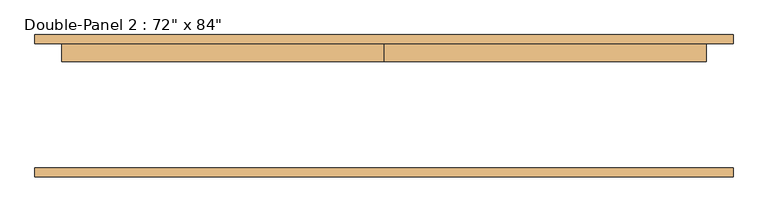
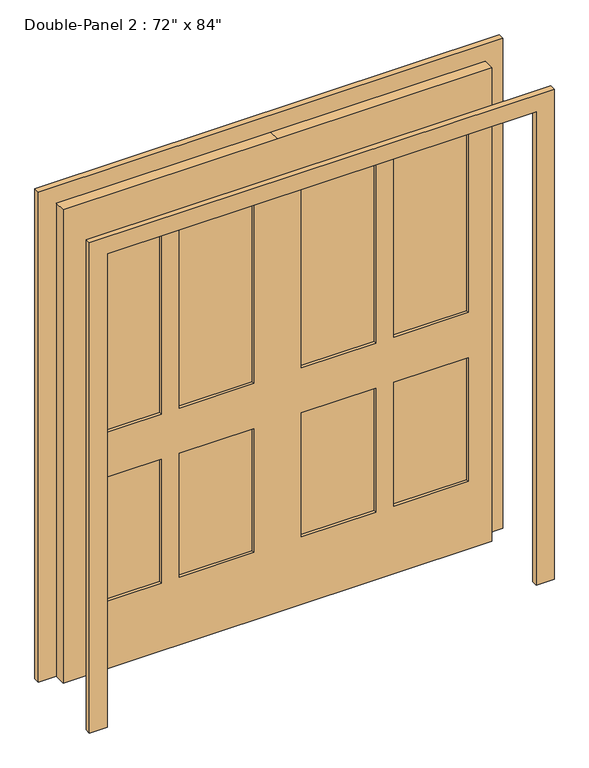
"""IFC4 building model written with IfcOpenShell, lengths in millimetres: door geometry."""

from ifc_helpers import new_model, si_unit, frame, origin, place, context, project, spatial, polyline, outline, extrude, source, transform, mapped, element, save


def door_602acdc1(model_context):
    return source(origin(), model_context, "Body", "SweptSolid", [
        extrude(outline(polyline([(2209.8, -990.6), (0.0, -990.6), (0.0, -914.4), (2133.6, -914.4), (2133.6, 914.4), (0.0, 914.4), (0.0, 990.6), (2209.8, 990.6), (2209.8, -990.6)])), frame((0.0, 176.2125, 0.0), z_axis=(0.0, 1.0, 0.0), x_axis=(0.0, 0.0, 1.0)), (0.0, 0.0, 1.0), 25.4),
        extrude(outline(polyline([(495.3, 163.5125), (812.8, 163.5125), (812.8, 138.1125), (495.3, 138.1125), (495.3, 163.5125)])), frame((0.0, 0.0, 1066.8), z_axis=(0.0, 0.0, 1.0), x_axis=(1.0, 0.0, 0.0)), (0.0, 0.0, 1.0), 889.0),
        extrude(outline(polyline([(101.6, 163.5125), (419.1, 163.5125), (419.1, 138.1125), (101.6, 138.1125), (101.6, 163.5125)])), frame((0.0, 0.0, 1066.8), z_axis=(0.0, 0.0, 1.0), x_axis=(1.0, 0.0, 0.0)), (0.0, 0.0, 1.0), 889.0),
        extrude(outline(polyline([(495.3, 163.5125), (812.8, 163.5125), (812.8, 138.1125), (495.3, 138.1125), (495.3, 163.5125)])), frame((0.0, 0.0, 304.8), z_axis=(0.0, 0.0, 1.0), x_axis=(1.0, 0.0, 0.0)), (0.0, 0.0, 1.0), 558.8),
        extrude(outline(polyline([(101.6, 163.5125), (419.1, 163.5125), (419.1, 138.1125), (101.6, 138.1125), (101.6, 163.5125)])), frame((0.0, 0.0, 304.8), z_axis=(0.0, 0.0, 1.0), x_axis=(1.0, 0.0, 0.0)), (0.0, 0.0, 1.0), 558.8),
        extrude(outline(polyline([(-419.1, 163.5125), (-101.6, 163.5125), (-101.6, 138.1125), (-419.1, 138.1125), (-419.1, 163.5125)])), frame((0.0, 0.0, 1066.8), z_axis=(0.0, 0.0, 1.0), x_axis=(1.0, 0.0, 0.0)), (0.0, 0.0, 1.0), 889.0),
        extrude(outline(polyline([(-812.8, 163.5125), (-495.3, 163.5125), (-495.3, 138.1125), (-812.8, 138.1125), (-812.8, 163.5125)])), frame((0.0, 0.0, 1066.8), z_axis=(0.0, 0.0, 1.0), x_axis=(1.0, 0.0, 0.0)), (0.0, 0.0, 1.0), 889.0),
        extrude(outline(polyline([(-419.1, 163.5125), (-101.6, 163.5125), (-101.6, 138.1125), (-419.1, 138.1125), (-419.1, 163.5125)])), frame((0.0, 0.0, 304.8), z_axis=(0.0, 0.0, 1.0), x_axis=(1.0, 0.0, 0.0)), (0.0, 0.0, 1.0), 558.8),
        extrude(outline(polyline([(-812.8, 163.5125), (-495.3, 163.5125), (-495.3, 138.1125), (-812.8, 138.1125), (-812.8, 163.5125)])), frame((0.0, 0.0, 304.8), z_axis=(0.0, 0.0, 1.0), x_axis=(1.0, 0.0, 0.0)), (0.0, 0.0, 1.0), 558.8),
        extrude(outline(polyline([(2133.6, 0.0), (2133.6, -914.4), (0.0, -914.4), (0.0, 0.0), (0.0, 914.4), (2133.6, 914.4), (2133.6, 0.0)]), holes=[polyline([(1955.8, 495.3), (1955.8, 812.8), (1066.8, 812.8), (1066.8, 495.3), (1955.8, 495.3)]), polyline([(1955.8, 101.6), (1955.8, 419.1), (1066.8, 419.1), (1066.8, 101.6), (1955.8, 101.6)]), polyline([(863.6, 495.3), (863.6, 812.8), (304.8, 812.8), (304.8, 495.3), (863.6, 495.3)]), polyline([(863.6, 101.6), (863.6, 419.1), (304.8, 419.1), (304.8, 101.6), (863.6, 101.6)]), polyline([(1066.8, -419.1), (1955.8, -419.1), (1955.8, -101.6), (1066.8, -101.6), (1066.8, -419.1)]), polyline([(1955.8, -812.8), (1955.8, -495.3), (1066.8, -495.3), (1066.8, -812.8), (1955.8, -812.8)]), polyline([(863.6, -419.1), (863.6, -101.6), (304.8, -101.6), (304.8, -419.1), (863.6, -419.1)]), polyline([(863.6, -812.8), (863.6, -495.3), (304.8, -495.3), (304.8, -812.8), (863.6, -812.8)])]), frame((0.0, 125.4125, 0.0), z_axis=(0.0, 1.0, 0.0), x_axis=(0.0, 0.0, 1.0)), (0.0, 0.0, 1.0), 50.8),
        extrude(outline(polyline([(2133.6, -914.4), (2133.6, 914.4), (0.0, 914.4), (0.0, 990.6), (2209.8, 990.6), (2209.8, -990.6), (0.0, -990.6), (0.0, -914.4), (2133.6, -914.4)])), frame((0.0, -201.6125, 0.0), z_axis=(0.0, 1.0, 0.0), x_axis=(0.0, 0.0, 1.0)), (0.0, 0.0, 1.0), 25.4),
    ])


if __name__ == "__main__":
    model = new_model("IFC4")
    model_context = context("Model", 3, world=origin())
    ifc_project = project(units=[si_unit("LENGTHUNIT", "METRE", prefix="MILLI")], contexts=[model_context])
    site = spatial("IfcSite", under=ifc_project)
    building = spatial("IfcBuilding", under=site)
    placement = place(None, origin())
    door_shape = door_602acdc1(model_context)
    element("IfcDoor", 1, ObjectType="Double-Panel 2 : 72\" x 84\"", at=placement, inside=building, context=model_context, shape_type="MappedRepresentation", body=[
        mapped(door_shape, transform((0.0, 0.0, 0.0), x_axis=(1.0, 0.0, 0.0), y_axis=(0.0, 1.0, 0.0), z_axis=(0.0, 0.0, 1.0))),
    ])
    save(model, "model.ifc")
